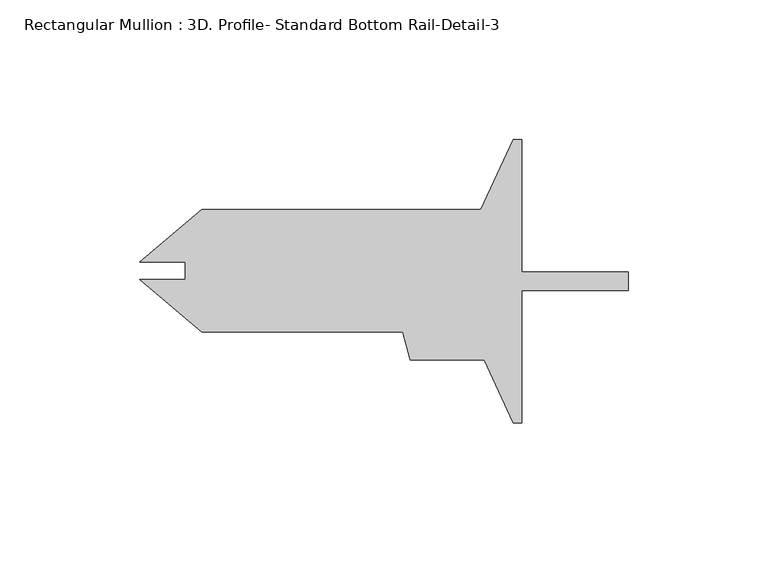
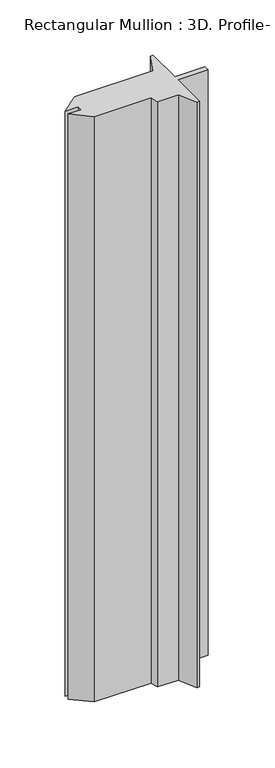
"""IFC4 building model written with IfcOpenShell, lengths in millimetres: member geometry, Rectangular Mullion : 3D. Profile- Standard Bottom Rail-Detail-3."""

from ifc_helpers import new_model, si_unit, frame, origin, place, context, project, spatial, polyline, outline, extrude, source, transform, mapped, element, save


def rectangular_mullion_3d_profile_standard_bottom_rail_detail_3_30599674(model_context):
    return source(origin(), model_context, "Body", "SweptSolid", [
        extrude(outline(polyline([(-38.1000436, 17.2032143), (0.0, 17.2032143), (0.0, 10.4722143), (-38.1000436, 10.4722143), (-38.1000436, -36.9622857), (-41.2128035, -36.9622857), (-51.5917759, -14.4070857), (-78.0418662, -14.4070857), (-80.7411876, -4.3330812), (-152.7178004, -4.3330812), (-175.042608, 14.3996566), (-158.7640136, 14.3996566), (-158.7640136, 20.7237742), (-175.0426159, 20.7237742), (-152.7178004, 39.4565188), (-52.8001507, 39.4565188), (-41.2128035, 64.6377143), (-38.1000436, 64.6377143), (-38.1000436, 17.2032143)])), frame((0.0, 0.0, -785.2471759), z_axis=(0.0, 0.0, 1.0), x_axis=(1.0, 0.0, 0.0)), (0.0, 0.0, 1.0), 785.2471759),
    ])


if __name__ == "__main__":
    model = new_model("IFC4")
    model_context = context("Model", 3, world=origin())
    ifc_project = project(units=[si_unit("LENGTHUNIT", "METRE", prefix="MILLI")], contexts=[model_context])
    site = spatial("IfcSite", under=ifc_project)
    building = spatial("IfcBuilding", under=site)
    placement = place(None, origin())
    rectangular_mullion_3d_profile_standard_bottom_rail_detail_3_shape = rectangular_mullion_3d_profile_standard_bottom_rail_detail_3_30599674(model_context)
    element("IfcMember", 1, ObjectType="Rectangular Mullion : 3D. Profile- Standard Bottom Rail-Detail-3", at=placement, inside=building, context=model_context, shape_type="MappedRepresentation", body=[
        mapped(rectangular_mullion_3d_profile_standard_bottom_rail_detail_3_shape, transform((0.0, 0.0, 0.0), x_axis=(1.0, 0.0, 0.0), y_axis=(0.0, 1.0, 0.0), z_axis=(0.0, 0.0, 1.0))),
    ])
    save(model, "model.ifc")
